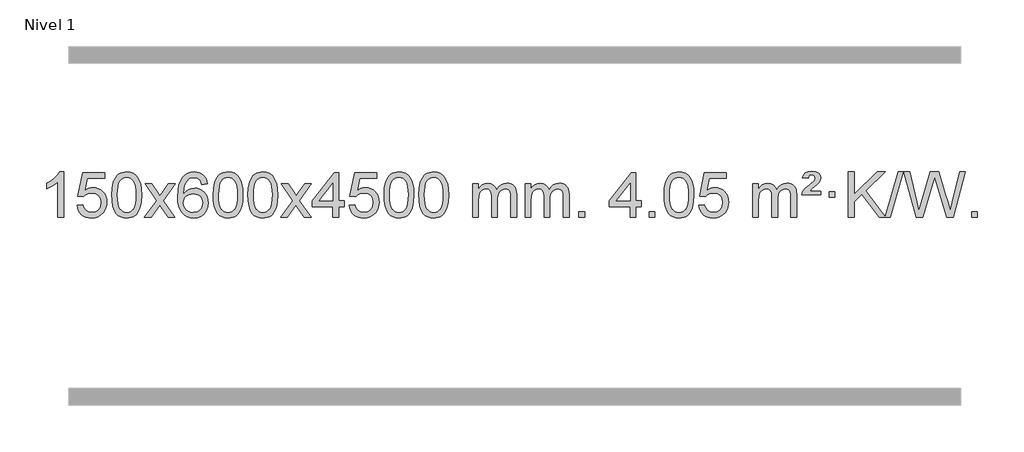
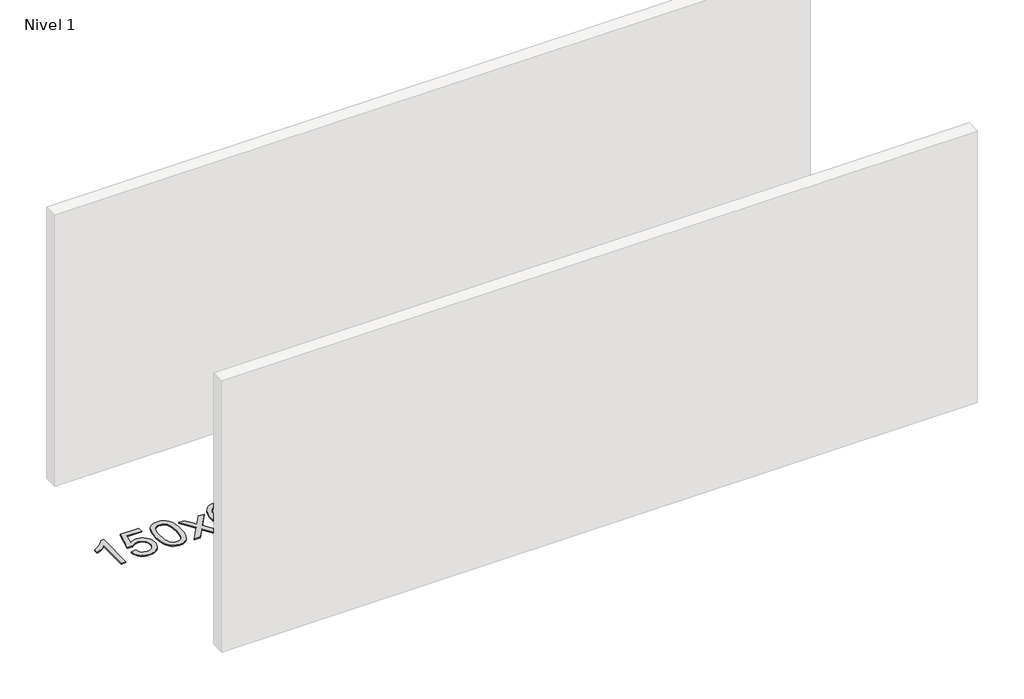
# One storey, part 9 of 25: 1 proxy.
"""IFC4 building model written with IfcOpenShell, lengths in millimetres."""

from ifc_helpers import new_model, si_unit, origin, origin_with_axes, place, context, project, spatial, polyline, outline, extrude, element, save

model = new_model("IFC4")

# Units and contexts
model_context = context("Model", 3, world=origin())
ifc_project = project(units=[si_unit("LENGTHUNIT", "METRE", prefix="MILLI")], contexts=[model_context])

# Site, building, storey
site = spatial("IfcSite", under=ifc_project)
building = spatial("IfcBuilding", under=site)
storey = spatial("IfcBuildingStorey", under=building, Name="Nivel 1", Elevation=0.0)

# Proxy
placement = place(None, origin())
element("IfcBuildingElementProxy", 1, Name="Texto de modelo 1", ObjectType="Texto de modelo 1", at=placement, inside=storey, context=model_context, shape_type="SweptSolid", body=[
    extrude(outline(polyline([(-275.4615788, -42845.579453), (-325.6897338, -42845.579453), (-325.6897338, -42532.4382987), (-346.6590076, -42549.3976587), (-373.2691385, -42566.3324932), (-426.146044, -42591.6918254), (-426.146044, -42544.2105225), (-386.6968314, -42522.7507395), (-352.520594, -42497.219729), (-325.5793692, -42470.0700378), (-307.8351943, -42443.7542124), (-275.4615788, -42443.7542124), (-275.4615788, -42845.579453)])), origin_with_axes(), (0.0, 0.0, 1.0), 10.0),
    extrude(outline(polyline([(-156.1697105, -42738.8446235), (-105.9415554, -42732.5661041), (-96.71998, -42762.7201649), (-80.6312741, -42784.3148381), (-57.749014, -42797.3010725), (-28.1467761, -42801.6298173), (-9.0169124, -42800.1245668), (7.8566085, -42795.6088153), (22.4737864, -42788.0825628), (34.8346214, -42777.5458094), (44.6632021, -42764.519721), (51.6836168, -42749.5254641), (57.2999486, -42713.6324441), (52.0392361, -42679.8363514), (45.4633454, -42665.9181493), (36.2570985, -42653.9865099), (24.3898385, -42644.4154467), (9.8309085, -42637.5789729), (-27.3619612, -42632.1097939), (-51.728012, -42634.2925604), (-71.4587497, -42640.8408599), (-87.2163618, -42650.8717757), (-99.663036, -42663.5023908), (-149.8911911, -42657.2238715), (-105.9415554, -42450.0327318), (88.6925455, -42450.0327318), (88.6925455, -42500.2608869), (-65.3273831, -42500.2608869), (-86.9097935, -42610.919791), (-69.1840127, -42598.2155994), (-51.0290362, -42589.1411769), (-32.4448641, -42583.6965234), (-13.4314963, -42581.8816388), (11.0326563, -42584.1318504), (33.5102463, -42590.882485), (54.0012734, -42602.1335427), (72.5057377, -42617.8850234), (87.8280228, -42637.1743027), (98.7725122, -42659.038756), (105.3392058, -42683.4783832), (107.5281037, -42710.4931844), (105.559935, -42736.5147042), (99.655429, -42760.7213394), (89.8145856, -42783.1130902), (76.0374049, -42803.6899565), (55.166233, -42824.7634634), (30.812445, -42839.8159684), (2.9760407, -42848.8474714), (-28.3429799, -42851.8579724), (-54.2633321, -42849.9235262), (-77.6759554, -42844.1201877), (-98.5808498, -42834.447957), (-116.9780152, -42820.9068338), (-132.2849719, -42804.1712688), (-143.91924, -42784.915712), (-151.8808195, -42763.1401636), (-156.1697105, -42738.8446235)])), origin_with_axes(), (0.0, 0.0, 1.0), 10.0),
    extrude(outline(polyline([(151.4777394, -42647.9041943), (155.1688221, -42583.5861588), (166.2420701, -42532.2911459), (184.5871189, -42493.2343407), (196.4451819, -42478.0009605), (210.0936039, -42465.6309284), (225.5783702, -42456.0598651), (242.9454661, -42449.2233914), (283.3266464, -42443.7542124), (314.277785, -42446.991574), (341.9915619, -42456.7036586), (365.1681276, -42472.5103217), (382.5076323, -42494.0314184), (395.6042314, -42521.0830078), (406.05208, -42553.4811488), (412.8946851, -42594.6226186), (415.1755535, -42647.9041943), (411.521259, -42711.8543477), (400.5583756, -42763.0267333), (382.3236913, -42802.1203266), (370.4932195, -42817.3996922), (356.8539945, -42829.8341036), (341.3508341, -42839.4695462), (323.928556, -42846.3520052), (283.3266464, -42851.8579724), (255.6619204, -42849.4667394), (231.1364541, -42842.2930405), (209.7502474, -42830.3368757), (191.5033004, -42813.5982449), (173.9921175, -42783.3399508), (161.4841296, -42745.6381776), (153.9793369, -42700.4929255), (151.4777394, -42647.9041943)]), holes=[polyline([(201.7058944, -42647.8060924), (203.1774224, -42691.4706195), (207.5920064, -42726.8148822), (214.9496463, -42753.8388804), (225.2503421, -42772.5426142), (237.709279, -42785.2682656), (251.5416421, -42794.3580165), (266.7474312, -42799.8118671), (283.3266464, -42801.6298173), (299.9058617, -42799.8057357), (315.1116508, -42794.3334911), (328.9440138, -42785.2130833), (341.4029507, -42772.4445124), (351.7036466, -42753.7101217), (359.0612865, -42726.6922549), (363.4758705, -42691.3909118), (364.9473984, -42647.8060924), (363.5249214, -42605.2973278), (359.2574902, -42570.5753989), (352.145105, -42543.6403055), (342.1877657, -42524.4920476), (329.9372952, -42511.1440625), (315.9455167, -42501.6097875), (300.21243, -42495.8892225), (282.7380352, -42493.9823675), (266.2446591, -42495.6623619), (251.2963874, -42500.7023452), (237.89322, -42509.1023175), (226.0351571, -42520.8622786), (215.3911047, -42541.708925), (207.7882101, -42569.8151094), (203.2264734, -42605.1808319), (201.7058944, -42647.8060924)])]), origin_with_axes(), (0.0, 0.0, 1.0), 10.0),
    extrude(outline(polyline([(440.2896311, -42845.579453), (547.6130718, -42697.1513307), (446.5681504, -42550.4890419), (506.8026958, -42550.4890419), (555.5593229, -42621.2204869), (578.4170575, -42654.4770192), (598.2336343, -42627.2047007), (653.7592901, -42550.4890419), (714.1900392, -42550.4890419), (608.0438209, -42697.2494325), (710.2659646, -42845.579453), (649.9333174, -42845.579453), (588.3253459, -42756.3067555), (577.1417333, -42739.923744), (500.7203801, -42845.579453), (440.2896311, -42845.579453)])), origin_with_axes(), (0.0, 0.0, 1.0), 10.0),
    extrude(outline(polyline([(999.0778563, -42550.4890419), (948.8497012, -42556.7675613), (940.7562973, -42531.874213), (929.8179393, -42514.8780648), (907.0337811, -42499.2062918), (879.4916824, -42493.9823675), (856.1434384, -42497.0235253), (834.1686206, -42506.1469988), (815.2962742, -42525.3627017), (799.8820186, -42551.8134171), (789.4709581, -42589.227016), (785.6081972, -42641.3313693), (805.7558678, -42617.8237098), (829.9011894, -42601.2567573), (856.6952614, -42591.434308), (884.7891831, -42588.1601582), (908.922242, -42590.398107), (931.1913654, -42597.1119534), (951.5965534, -42608.3016975), (970.137806, -42623.9673391), (985.5459302, -42643.1769106), (996.5517332, -42664.9984443), (1003.155215, -42689.4319401), (1005.3563756, -42716.4773982), (1001.2115718, -42752.4439945), (988.7771604, -42785.786366), (969.0832109, -42814.0642287), (943.159793, -42834.8372987), (912.184129, -42847.602804), (877.3334413, -42851.8579724), (847.3909126, -42849.0375437), (820.3485203, -42840.5762579), (796.2062643, -42826.4741147), (774.9641448, -42806.7311143), (757.6460999, -42780.5133908), (745.2760678, -42746.9870783), (737.8540485, -42706.1521768), (735.3800421, -42658.0086864), (738.1268943, -42604.0342663), (746.367451, -42557.9693092), (760.1017122, -42519.8138149), (779.3296778, -42489.5677835), (800.1701928, -42469.5243462), (824.3339085, -42455.2076052), (851.820825, -42446.6175606), (882.6309421, -42443.7542124), (905.7645882, -42445.5261773), (926.7032051, -42450.8420722), (945.4467927, -42459.7018969), (961.9953511, -42472.1056515), (975.9012906, -42487.6364031), (986.7170212, -42505.8772186), (994.4425431, -42526.8280983), (999.0778563, -42550.4890419)]), holes=[polyline([(785.6081972, -42715.6925832), (788.514465, -42737.9494439), (797.2332682, -42759.2007605), (810.7713257, -42777.472233), (828.1353558, -42790.7895612), (849.0923668, -42798.9197533), (873.4093667, -42801.6298173), (906.5555345, -42796.0134855), (920.4706709, -42788.9930708), (932.6138425, -42779.1644901), (942.4638829, -42766.9262824), (949.499626, -42752.6769865), (955.1282206, -42718.1451299), (949.5732024, -42684.9989621), (942.6294298, -42671.3781312), (932.9081481, -42659.725469), (920.7281883, -42650.3904634), (906.4083817, -42643.7226022), (871.3492275, -42638.3883133), (838.2521107, -42643.7226022), (810.5751219, -42659.725469), (799.6520924, -42671.2248471), (791.8499284, -42684.3858254), (787.16863, -42699.2084042), (785.6081972, -42715.6925832)])]), origin_with_axes(), (0.0, 0.0, 1.0), 10.0),
    extrude(outline(polyline([(1049.3060113, -42647.9041943), (1052.997094, -42583.5861588), (1064.0703421, -42532.2911459), (1082.4153909, -42493.2343407), (1094.2734539, -42478.0009605), (1107.9218759, -42465.6309284), (1123.4066422, -42456.0598651), (1140.7737381, -42449.2233914), (1181.1549184, -42443.7542124), (1212.1060569, -42446.991574), (1239.8198339, -42456.7036586), (1262.9963996, -42472.5103217), (1280.3359043, -42494.0314184), (1293.4325033, -42521.0830078), (1303.880352, -42553.4811488), (1310.7229571, -42594.6226186), (1313.0038255, -42647.9041943), (1309.349531, -42711.8543477), (1298.3866475, -42763.0267333), (1280.1519633, -42802.1203266), (1268.3214915, -42817.3996922), (1254.6822665, -42829.8341036), (1239.1791061, -42839.4695462), (1221.7568279, -42846.3520052), (1181.1549184, -42851.8579724), (1153.4901924, -42849.4667394), (1128.964726, -42842.2930405), (1107.5785194, -42830.3368757), (1089.3315724, -42813.5982449), (1071.8203894, -42783.3399508), (1059.3124016, -42745.6381776), (1051.8076089, -42700.4929255), (1049.3060113, -42647.9041943)]), holes=[polyline([(1099.5341664, -42647.8060924), (1101.0056944, -42691.4706195), (1105.4202783, -42726.8148822), (1112.7779182, -42753.8388804), (1123.0786141, -42772.5426142), (1135.537551, -42785.2682656), (1149.369914, -42794.3580165), (1164.5757032, -42799.8118671), (1181.1549184, -42801.6298173), (1197.7341337, -42799.8057357), (1212.9399228, -42794.3334911), (1226.7722858, -42785.2130833), (1239.2312227, -42772.4445124), (1249.5319186, -42753.7101217), (1256.8895585, -42726.6922549), (1261.3041424, -42691.3909118), (1262.7756704, -42647.8060924), (1261.3531934, -42605.2973278), (1257.0857622, -42570.5753989), (1249.973377, -42543.6403055), (1240.0160376, -42524.4920476), (1227.7655672, -42511.1440625), (1213.7737886, -42501.6097875), (1198.040702, -42495.8892225), (1180.5663072, -42493.9823675), (1164.0729311, -42495.6623619), (1149.1246594, -42500.7023452), (1135.721492, -42509.1023175), (1123.863429, -42520.8622786), (1113.2193766, -42541.708925), (1105.6164821, -42569.8151094), (1101.0547453, -42605.1808319), (1099.5341664, -42647.8060924)])]), origin_with_axes(), (0.0, 0.0, 1.0), 10.0),
    extrude(outline(polyline([(1356.9534612, -42647.9041943), (1360.6445439, -42583.5861588), (1371.7177919, -42532.2911459), (1390.0628407, -42493.2343407), (1401.9209037, -42478.0009605), (1415.5693257, -42465.6309284), (1431.054092, -42456.0598651), (1448.4211879, -42449.2233914), (1488.8023682, -42443.7542124), (1519.7535068, -42446.991574), (1547.4672837, -42456.7036586), (1570.6438494, -42472.5103217), (1587.9833541, -42494.0314184), (1601.0799532, -42521.0830078), (1611.5278018, -42553.4811488), (1618.3704069, -42594.6226186), (1620.6512753, -42647.9041943), (1616.9969808, -42711.8543477), (1606.0340974, -42763.0267333), (1587.7994131, -42802.1203266), (1575.9689413, -42817.3996922), (1562.3297163, -42829.8341036), (1546.8265559, -42839.4695462), (1529.4042778, -42846.3520052), (1488.8023682, -42851.8579724), (1461.1376422, -42849.4667394), (1436.6121759, -42842.2930405), (1415.2259692, -42830.3368757), (1396.9790222, -42813.5982449), (1379.4678393, -42783.3399508), (1366.9598514, -42745.6381776), (1359.4550587, -42700.4929255), (1356.9534612, -42647.9041943)]), holes=[polyline([(1407.1816162, -42647.8060924), (1408.6531442, -42691.4706195), (1413.0677282, -42726.8148822), (1420.4253681, -42753.8388804), (1430.7260639, -42772.5426142), (1443.1850008, -42785.2682656), (1457.0173639, -42794.3580165), (1472.223153, -42799.8118671), (1488.8023682, -42801.6298173), (1505.3815835, -42799.8057357), (1520.5873726, -42794.3334911), (1534.4197356, -42785.2130833), (1546.8786725, -42772.4445124), (1557.1793684, -42753.7101217), (1564.5370083, -42726.6922549), (1568.9515923, -42691.3909118), (1570.4231202, -42647.8060924), (1569.0006432, -42605.2973278), (1564.733212, -42570.5753989), (1557.6208268, -42543.6403055), (1547.6634875, -42524.4920476), (1535.413017, -42511.1440625), (1521.4212385, -42501.6097875), (1505.6881518, -42495.8892225), (1488.213757, -42493.9823675), (1471.7203809, -42495.6623619), (1456.7721092, -42500.7023452), (1443.3689418, -42509.1023175), (1431.5108789, -42520.8622786), (1420.8668265, -42541.708925), (1413.2639319, -42569.8151094), (1408.7021952, -42605.1808319), (1407.1816162, -42647.8060924)])]), origin_with_axes(), (0.0, 0.0, 1.0), 10.0),
    extrude(outline(polyline([(1645.7653528, -42845.579453), (1753.0887936, -42697.1513307), (1652.0438722, -42550.4890419), (1712.2784176, -42550.4890419), (1761.0350447, -42621.2204869), (1783.8927793, -42654.4770192), (1803.7093561, -42627.2047007), (1859.2350119, -42550.4890419), (1919.665761, -42550.4890419), (1813.5195426, -42697.2494325), (1915.7416864, -42845.579453), (1855.4090392, -42845.579453), (1793.8010677, -42756.3067555), (1782.6174551, -42739.923744), (1706.1961019, -42845.579453), (1645.7653528, -42845.579453)])), origin_with_axes(), (0.0, 0.0, 1.0), 10.0),
    extrude(outline(polyline([(2110.3757873, -42845.579453), (2110.3757873, -42751.4016622), (1928.2987251, -42751.4016622), (1928.2987251, -42701.1735072), (2122.9328261, -42450.0327318), (2160.6039424, -42450.0327318), (2160.6039424, -42701.1735072), (2210.8320974, -42701.1735072), (2210.8320974, -42751.4016622), (2160.6039424, -42751.4016622), (2160.6039424, -42845.579453), (2110.3757873, -42845.579453)]), holes=[polyline([(2110.3757873, -42701.1735072), (2110.3757873, -42545.9763561), (1990.1029003, -42701.1735072), (2110.3757873, -42701.1735072)])]), origin_with_axes(), (0.0, 0.0, 1.0), 10.0),
    extrude(outline(polyline([(2254.7817331, -42738.8446235), (2305.0098882, -42732.5661041), (2314.2314635, -42762.7201649), (2330.3201695, -42784.3148381), (2353.2024296, -42797.3010725), (2382.8046674, -42801.6298173), (2401.9345312, -42800.1245668), (2418.808052, -42795.6088153), (2433.42523, -42788.0825628), (2445.786065, -42777.5458094), (2455.6146457, -42764.519721), (2462.6350604, -42749.5254641), (2468.2513922, -42713.6324441), (2462.9906797, -42679.8363514), (2456.414789, -42665.9181493), (2447.2085421, -42653.9865099), (2435.341282, -42644.4154467), (2420.7823521, -42637.5789729), (2383.5894824, -42632.1097939), (2359.2234316, -42634.2925604), (2339.4926939, -42640.8408599), (2323.7350818, -42650.8717757), (2311.2884076, -42663.5023908), (2261.0602525, -42657.2238715), (2305.0098882, -42450.0327318), (2499.6439891, -42450.0327318), (2499.6439891, -42500.2608869), (2345.6240605, -42500.2608869), (2324.0416501, -42610.919791), (2341.7674309, -42598.2155994), (2359.9224073, -42589.1411769), (2378.5065795, -42583.6965234), (2397.5199473, -42581.8816388), (2421.9840999, -42584.1318504), (2444.4616898, -42590.882485), (2464.952717, -42602.1335427), (2483.4571813, -42617.8850234), (2498.7794664, -42637.1743027), (2509.7239558, -42659.038756), (2516.2906494, -42683.4783832), (2518.4795473, -42710.4931844), (2516.5113786, -42736.5147042), (2510.6068726, -42760.7213394), (2500.7660292, -42783.1130902), (2486.9888485, -42803.6899565), (2466.1176766, -42824.7634634), (2441.7638885, -42839.8159684), (2413.9274842, -42848.8474714), (2382.6084637, -42851.8579724), (2356.6881115, -42849.9235262), (2333.2754882, -42844.1201877), (2312.3705938, -42834.447957), (2293.9734283, -42820.9068338), (2278.6664717, -42804.1712688), (2267.0322036, -42784.915712), (2259.0706241, -42763.1401636), (2254.7817331, -42738.8446235)])), origin_with_axes(), (0.0, 0.0, 1.0), 10.0),
    extrude(outline(polyline([(2562.429183, -42647.9041943), (2566.1202656, -42583.5861588), (2577.1935137, -42532.2911459), (2595.5385625, -42493.2343407), (2607.3966255, -42478.0009605), (2621.0450475, -42465.6309284), (2636.5298138, -42456.0598651), (2653.8969097, -42449.2233914), (2694.27809, -42443.7542124), (2725.2292286, -42446.991574), (2752.9430055, -42456.7036586), (2776.1195712, -42472.5103217), (2793.4590759, -42494.0314184), (2806.555675, -42521.0830078), (2817.0035236, -42553.4811488), (2823.8461287, -42594.6226186), (2826.1269971, -42647.9041943), (2822.4727026, -42711.8543477), (2811.5098192, -42763.0267333), (2793.2751349, -42802.1203266), (2781.4446631, -42817.3996922), (2767.8054381, -42829.8341036), (2752.3022777, -42839.4695462), (2734.8799996, -42846.3520052), (2694.27809, -42851.8579724), (2666.613364, -42849.4667394), (2642.0878976, -42842.2930405), (2620.701691, -42830.3368757), (2602.454744, -42813.5982449), (2584.9435611, -42783.3399508), (2572.4355732, -42745.6381776), (2564.9307805, -42700.4929255), (2562.429183, -42647.9041943)]), holes=[polyline([(2612.657338, -42647.8060924), (2614.128866, -42691.4706195), (2618.54345, -42726.8148822), (2625.9010899, -42753.8388804), (2636.2017857, -42772.5426142), (2648.6607226, -42785.2682656), (2662.4930856, -42794.3580165), (2677.6988748, -42799.8118671), (2694.27809, -42801.6298173), (2710.8573053, -42799.8057357), (2726.0630944, -42794.3334911), (2739.8954574, -42785.2130833), (2752.3543943, -42772.4445124), (2762.6550902, -42753.7101217), (2770.0127301, -42726.6922549), (2774.427314, -42691.3909118), (2775.898842, -42647.8060924), (2774.476365, -42605.2973278), (2770.2089338, -42570.5753989), (2763.0965486, -42543.6403055), (2753.1392093, -42524.4920476), (2740.8887388, -42511.1440625), (2726.8969603, -42501.6097875), (2711.1638736, -42495.8892225), (2693.6894788, -42493.9823675), (2677.1961027, -42495.6623619), (2662.247831, -42500.7023452), (2648.8446636, -42509.1023175), (2636.9866007, -42520.8622786), (2626.3425483, -42541.708925), (2618.7396537, -42569.8151094), (2614.1779169, -42605.1808319), (2612.657338, -42647.8060924)])]), origin_with_axes(), (0.0, 0.0, 1.0), 10.0),
    extrude(outline(polyline([(2870.0766328, -42647.9041943), (2873.7677155, -42583.5861588), (2884.8409635, -42532.2911459), (2903.1860124, -42493.2343407), (2915.0440753, -42478.0009605), (2928.6924974, -42465.6309284), (2944.1772637, -42456.0598651), (2961.5443595, -42449.2233914), (3001.9255399, -42443.7542124), (3032.8766784, -42446.991574), (3060.5904554, -42456.7036586), (3083.7670211, -42472.5103217), (3101.1065258, -42494.0314184), (3114.2031248, -42521.0830078), (3124.6509735, -42553.4811488), (3131.4935786, -42594.6226186), (3133.7744469, -42647.9041943), (3130.1201525, -42711.8543477), (3119.157269, -42763.0267333), (3100.9225848, -42802.1203266), (3089.0921129, -42817.3996922), (3075.452888, -42829.8341036), (3059.9497276, -42839.4695462), (3042.5274494, -42846.3520052), (3001.9255399, -42851.8579724), (2974.2608138, -42849.4667394), (2949.7353475, -42842.2930405), (2928.3491408, -42830.3368757), (2910.1021939, -42813.5982449), (2892.5910109, -42783.3399508), (2880.0830231, -42745.6381776), (2872.5782304, -42700.4929255), (2870.0766328, -42647.9041943)]), holes=[polyline([(2920.3047879, -42647.8060924), (2921.7763158, -42691.4706195), (2926.1908998, -42726.8148822), (2933.5485397, -42753.8388804), (2943.8492356, -42772.5426142), (2956.3081725, -42785.2682656), (2970.1405355, -42794.3580165), (2985.3463246, -42799.8118671), (3001.9255399, -42801.6298173), (3018.5047551, -42799.8057357), (3033.7105442, -42794.3334911), (3047.5429073, -42785.2130833), (3060.0018442, -42772.4445124), (3070.30254, -42753.7101217), (3077.6601799, -42726.6922549), (3082.0747639, -42691.3909118), (3083.5462919, -42647.8060924), (3082.1238148, -42605.2973278), (3077.8563837, -42570.5753989), (3070.7439984, -42543.6403055), (3060.7866591, -42524.4920476), (3048.5361887, -42511.1440625), (3034.5444101, -42501.6097875), (3018.8113234, -42495.8892225), (3001.3369287, -42493.9823675), (2984.8435526, -42495.6623619), (2969.8952808, -42500.7023452), (2956.4921135, -42509.1023175), (2944.6340505, -42520.8622786), (2933.9899981, -42541.708925), (2926.3871035, -42569.8151094), (2921.8253668, -42605.1808319), (2920.3047879, -42647.8060924)])]), origin_with_axes(), (0.0, 0.0, 1.0), 10.0),
    extrude(outline(polyline([(3347.244106, -42845.579453), (3347.244106, -42550.4890419), (3397.4722611, -42550.4890419), (3397.4722611, -42599.0494653), (3412.5799483, -42576.7435537), (3432.0041177, -42559.2691589), (3455.0825815, -42547.9751816), (3481.1531522, -42544.2105225), (3509.0876584, -42548.048758), (3531.4794092, -42559.5634645), (3548.2057772, -42577.9943524), (3559.1441352, -42602.5811324), (3577.4523959, -42577.0439906), (3598.3358304, -42558.803175), (3621.794439, -42547.8586857), (3647.8282215, -42544.2105225), (3667.9360383, -42545.7280358), (3685.585177, -42550.2805755), (3700.7756377, -42557.8681416), (3713.5074204, -42568.4907342), (3723.5720587, -42582.2709806), (3730.761086, -42599.3315082), (3735.0745024, -42619.6723168), (3736.5123078, -42643.2934066), (3736.5123078, -42845.579453), (3686.2841528, -42845.579453), (3686.2841528, -42664.875817), (3685.1191931, -42639.8230531), (3681.6243142, -42622.9372695), (3675.0760146, -42611.3735121), (3664.7507933, -42602.2868268), (3651.4702533, -42596.4007149), (3636.0559977, -42594.4386776), (3608.8449928, -42599.4663982), (3586.6617085, -42614.54956), (3578.0563355, -42626.1194488), (3571.9096405, -42640.7182326), (3566.9922845, -42679.0024856), (3566.9922845, -42845.579453), (3516.7641294, -42845.579453), (3516.7641294, -42659.2840106), (3513.8578616, -42630.8835206), (3505.1390583, -42610.6254854), (3489.7983791, -42598.4853796), (3467.0264836, -42594.4386776), (3447.6758907, -42597.1364789), (3429.8458767, -42605.2298828), (3415.1305968, -42618.5226856), (3405.1242066, -42636.8186835), (3399.3852475, -42662.2025411), (3397.4722611, -42696.7589232), (3397.4722611, -42845.579453), (3347.244106, -42845.579453)])), origin_with_axes(), (0.0, 0.0, 1.0), 10.0),
    extrude(outline(polyline([(3811.8545404, -42845.579453), (3811.8545404, -42550.4890419), (3862.0826955, -42550.4890419), (3862.0826955, -42599.0494653), (3877.1903828, -42576.7435537), (3896.6145521, -42559.2691589), (3919.693016, -42547.9751816), (3945.7635867, -42544.2105225), (3973.6980929, -42548.048758), (3996.0898436, -42559.5634645), (4012.8162117, -42577.9943524), (4023.7545697, -42602.5811324), (4042.0628303, -42577.0439906), (4062.9462649, -42558.803175), (4086.4048734, -42547.8586857), (4112.438656, -42544.2105225), (4132.5464727, -42545.7280358), (4150.1956114, -42550.2805755), (4165.3860721, -42557.8681416), (4178.1178548, -42568.4907342), (4188.1824931, -42582.2709806), (4195.3715204, -42599.3315082), (4199.6849368, -42619.6723168), (4201.1227423, -42643.2934066), (4201.1227423, -42845.579453), (4150.8945872, -42845.579453), (4150.8945872, -42664.875817), (4149.7296276, -42639.8230531), (4146.2347486, -42622.9372695), (4139.6864491, -42611.3735121), (4129.3612278, -42602.2868268), (4116.0806877, -42596.4007149), (4100.6664321, -42594.4386776), (4073.4554272, -42599.4663982), (4051.2721429, -42614.54956), (4042.6667699, -42626.1194488), (4036.5200749, -42640.7182326), (4031.6027189, -42679.0024856), (4031.6027189, -42845.579453), (3981.3745638, -42845.579453), (3981.3745638, -42659.2840106), (3978.4682961, -42630.8835206), (3969.7494928, -42610.6254854), (3954.4088136, -42598.4853796), (3931.6369181, -42594.4386776), (3912.2863251, -42597.1364789), (3894.4563111, -42605.2298828), (3879.7410313, -42618.5226856), (3869.734641, -42636.8186835), (3863.9956819, -42662.2025411), (3862.0826955, -42696.7589232), (3862.0826955, -42845.579453), (3811.8545404, -42845.579453)])), origin_with_axes(), (0.0, 0.0, 1.0), 10.0),
    extrude(outline(polyline([(4289.0220137, -42845.579453), (4289.0220137, -42795.3512979), (4339.2501687, -42795.3512979), (4339.2501687, -42845.579453), (4289.0220137, -42845.579453)])), origin_with_axes(), (0.0, 0.0, 1.0), 10.0),
    extrude(outline(polyline([(4741.0754093, -42845.579453), (4741.0754093, -42751.4016622), (4558.9983472, -42751.4016622), (4558.9983472, -42701.1735072), (4753.6324481, -42450.0327318), (4791.3035644, -42450.0327318), (4791.3035644, -42701.1735072), (4841.5317195, -42701.1735072), (4841.5317195, -42751.4016622), (4791.3035644, -42751.4016622), (4791.3035644, -42845.579453), (4741.0754093, -42845.579453)]), holes=[polyline([(4741.0754093, -42701.1735072), (4741.0754093, -42545.9763561), (4620.8025224, -42701.1735072), (4741.0754093, -42701.1735072)])]), origin_with_axes(), (0.0, 0.0, 1.0), 10.0),
    extrude(outline(polyline([(4910.5954327, -42845.579453), (4910.5954327, -42795.3512979), (4960.8235878, -42795.3512979), (4960.8235878, -42845.579453), (4910.5954327, -42845.579453)])), origin_with_axes(), (0.0, 0.0, 1.0), 10.0),
    extrude(outline(polyline([(5042.4443398, -42647.9041943), (5046.1354225, -42583.5861588), (5057.2086705, -42532.2911459), (5075.5537193, -42493.2343407), (5087.4117823, -42478.0009605), (5101.0602043, -42465.6309284), (5116.5449707, -42456.0598651), (5133.9120665, -42449.2233914), (5174.2932469, -42443.7542124), (5205.2443854, -42446.991574), (5232.9581623, -42456.7036586), (5256.134728, -42472.5103217), (5273.4742328, -42494.0314184), (5286.5708318, -42521.0830078), (5297.0186804, -42553.4811488), (5303.8612856, -42594.6226186), (5306.1421539, -42647.9041943), (5302.4878594, -42711.8543477), (5291.524976, -42763.0267333), (5273.2902918, -42802.1203266), (5261.4598199, -42817.3996922), (5247.820595, -42829.8341036), (5232.3174345, -42839.4695462), (5214.8951564, -42846.3520052), (5174.2932469, -42851.8579724), (5146.6285208, -42849.4667394), (5122.1030545, -42842.2930405), (5100.7168478, -42830.3368757), (5082.4699009, -42813.5982449), (5064.9587179, -42783.3399508), (5052.45073, -42745.6381776), (5044.9459373, -42700.4929255), (5042.4443398, -42647.9041943)]), holes=[polyline([(5092.6724949, -42647.8060924), (5094.1440228, -42691.4706195), (5098.5586068, -42726.8148822), (5105.9162467, -42753.8388804), (5116.2169425, -42772.5426142), (5128.6758794, -42785.2682656), (5142.5082425, -42794.3580165), (5157.7140316, -42799.8118671), (5174.2932469, -42801.6298173), (5190.8724621, -42799.8057357), (5206.0782512, -42794.3334911), (5219.9106143, -42785.2130833), (5232.3695512, -42772.4445124), (5242.670247, -42753.7101217), (5250.0278869, -42726.6922549), (5254.4424709, -42691.3909118), (5255.9139988, -42647.8060924), (5254.4915218, -42605.2973278), (5250.2240907, -42570.5753989), (5243.1117054, -42543.6403055), (5233.1543661, -42524.4920476), (5220.9038956, -42511.1440625), (5206.9121171, -42501.6097875), (5191.1790304, -42495.8892225), (5173.7046357, -42493.9823675), (5157.2112595, -42495.6623619), (5142.2629878, -42500.7023452), (5128.8598204, -42509.1023175), (5117.0017575, -42520.8622786), (5106.3577051, -42541.708925), (5098.7548105, -42569.8151094), (5094.1930738, -42605.1808319), (5092.6724949, -42647.8060924)])]), origin_with_axes(), (0.0, 0.0, 1.0), 10.0),
    extrude(outline(polyline([(5350.0917896, -42738.8446235), (5400.3199447, -42732.5661041), (5409.54152, -42762.7201649), (5425.630226, -42784.3148381), (5448.5124861, -42797.3010725), (5478.1147239, -42801.6298173), (5497.2445877, -42800.1245668), (5514.1181085, -42795.6088153), (5528.7352865, -42788.0825628), (5541.0961215, -42777.5458094), (5550.9247021, -42764.519721), (5557.9451169, -42749.5254641), (5563.5614487, -42713.6324441), (5558.3007361, -42679.8363514), (5551.7248455, -42665.9181493), (5542.5185986, -42653.9865099), (5530.6513385, -42644.4154467), (5516.0924086, -42637.5789729), (5478.8995389, -42632.1097939), (5454.533488, -42634.2925604), (5434.8027504, -42640.8408599), (5419.0451382, -42650.8717757), (5406.5984641, -42663.5023908), (5356.370309, -42657.2238715), (5400.3199447, -42450.0327318), (5594.9540456, -42450.0327318), (5594.9540456, -42500.2608869), (5440.934117, -42500.2608869), (5419.3517066, -42610.919791), (5437.0774874, -42598.2155994), (5455.2324638, -42589.1411769), (5473.816636, -42583.6965234), (5492.8300037, -42581.8816388), (5517.2941564, -42584.1318504), (5539.7717463, -42590.882485), (5560.2627735, -42602.1335427), (5578.7672378, -42617.8850234), (5594.0895229, -42637.1743027), (5605.0340123, -42659.038756), (5611.6007059, -42683.4783832), (5613.7896038, -42710.4931844), (5611.8214351, -42736.5147042), (5605.9169291, -42760.7213394), (5596.0760857, -42783.1130902), (5582.298905, -42803.6899565), (5561.4277331, -42824.7634634), (5537.073945, -42839.8159684), (5509.2375407, -42848.8474714), (5477.9185202, -42851.8579724), (5451.998168, -42849.9235262), (5428.5855447, -42844.1201877), (5407.6806503, -42834.447957), (5389.2834848, -42820.9068338), (5373.9765281, -42804.1712688), (5362.3422601, -42784.915712), (5354.3806805, -42763.1401636), (5350.0917896, -42738.8446235)])), origin_with_axes(), (0.0, 0.0, 1.0), 10.0),
    extrude(outline(polyline([(5827.2592628, -42845.579453), (5827.2592628, -42550.4890419), (5877.4874179, -42550.4890419), (5877.4874179, -42599.0494653), (5892.5951052, -42576.7435537), (5912.0192745, -42559.2691589), (5935.0977383, -42547.9751816), (5961.1683091, -42544.2105225), (5989.1028152, -42548.048758), (6011.494566, -42559.5634645), (6028.2209341, -42577.9943524), (6039.159292, -42602.5811324), (6057.4675527, -42577.0439906), (6078.3509873, -42558.803175), (6101.8095958, -42547.8586857), (6127.8433783, -42544.2105225), (6147.9511951, -42545.7280358), (6165.6003338, -42550.2805755), (6180.7907945, -42557.8681416), (6193.5225772, -42568.4907342), (6203.5872155, -42582.2709806), (6210.7762428, -42599.3315082), (6215.0896592, -42619.6723168), (6216.5274647, -42643.2934066), (6216.5274647, -42845.579453), (6166.2993096, -42845.579453), (6166.2993096, -42664.875817), (6165.1343499, -42639.8230531), (6161.639471, -42622.9372695), (6155.0911715, -42611.3735121), (6144.7659501, -42602.2868268), (6131.4854101, -42596.4007149), (6116.0711545, -42594.4386776), (6088.8601496, -42599.4663982), (6066.6768653, -42614.54956), (6058.0714923, -42626.1194488), (6051.9247973, -42640.7182326), (6047.0074413, -42679.0024856), (6047.0074413, -42845.579453), (5996.7792862, -42845.579453), (5996.7792862, -42659.2840106), (5993.8730184, -42630.8835206), (5985.1542152, -42610.6254854), (5969.813536, -42598.4853796), (5947.0416405, -42594.4386776), (5927.6910475, -42597.1364789), (5909.8610335, -42605.2298828), (5895.1457537, -42618.5226856), (5885.1393634, -42636.8186835), (5879.4004043, -42662.2025411), (5877.4874179, -42696.7589232), (5877.4874179, -42845.579453), (5827.2592628, -42845.579453)])), origin_with_axes(), (0.0, 0.0, 1.0), 10.0),
    extrude(outline(polyline([(6260.4771003, -42644.6668327), (6264.3030731, -42628.8479069), (6272.6417317, -42612.9799302), (6294.1505656, -42587.8413272), (6326.1072483, -42560.1030247), (6370.2530877, -42522.726214), (6377.3899984, -42511.1992448), (6379.7689686, -42499.3779701), (6377.8805077, -42487.2869152), (6372.215125, -42477.5012541), (6362.8463969, -42471.026531), (6349.8478997, -42468.8682899), (6337.4134883, -42470.4869707), (6328.5597949, -42475.343013), (6322.1341227, -42484.8098431), (6316.9837748, -42500.2608869), (6266.7556197, -42493.9823675), (6277.5958759, -42468.7701881), (6294.224142, -42451.2099542), (6317.9893189, -42440.9092583), (6350.2403072, -42437.475693), (6386.0229626, -42441.6082341), (6410.7691581, -42454.0058573), (6425.1901323, -42472.3386434), (6429.9971237, -42494.2766731), (6425.9013708, -42517.1834586), (6413.6141122, -42538.8149199), (6393.0862969, -42558.6314968), (6356.6169284, -42586.6886303), (6331.0123416, -42613.2742358), (6429.9971237, -42613.2742358), (6429.9971237, -42644.6668327), (6260.4771003, -42644.6668327)])), origin_with_axes(), (0.0, 0.0, 1.0), 10.0),
    extrude(outline(polyline([(6505.3393563, -42669.7809102), (6505.3393563, -42619.5527552), (6555.5675114, -42619.5527552), (6555.5675114, -42669.7809102), (6505.3393563, -42669.7809102)])), origin_with_axes(), (0.0, 0.0, 1.0), 10.0),
    extrude(outline(polyline([(6946.2091394, -42845.579453), (6792.67972, -42642.9009991), (6725.0875348, -42707.4520265), (6725.0875348, -42845.579453), (6674.8593797, -42845.579453), (6674.8593797, -42443.7542124), (6725.0875348, -42443.7542124), (6725.0875348, -42640.4484525), (6931.1014521, -42443.7542124), (7001.3423877, -42443.7542124), (6828.2906972, -42608.9577537), (7003.0417306, -42839.5373449), (7114.3557366, -42443.7542124), (7159.8750022, -42443.7542124), (7046.7635514, -42845.579453), (7007.6209071, -42845.579453), (7001.3423877, -42845.579453), (6946.2091394, -42845.579453)])), origin_with_axes(), (0.0, 0.0, 1.0), 10.0),
    extrude(outline(polyline([(7274.1636753, -42845.579453), (7164.5838917, -42443.7542124), (7216.3816766, -42443.7542124), (7279.9516854, -42707.844434), (7299.5720585, -42789.3670841), (7320.5658576, -42717.2622131), (7400.2245723, -42443.7542124), (7474.8800919, -42443.7542124), (7532.7601925, -42642.0180823), (7557.5554389, -42715.5944814), (7575.8269114, -42789.3670841), (7594.8586732, -42710.1988788), (7658.9191913, -42443.7542124), (7710.8150781, -42443.7542124), (7601.3333964, -42845.579453), (7547.5735741, -42845.579453), (7451.1394405, -42535.5775584), (7437.6994849, -42492.3146358), (7422.5917976, -42544.4067263), (7334.7906281, -42845.579453), (7274.1636753, -42845.579453)])), origin_with_axes(), (0.0, 0.0, 1.0), 10.0),
    extrude(outline(polyline([(7767.3217526, -42845.579453), (7767.3217526, -42795.3512979), (7817.5499077, -42795.3512979), (7817.5499077, -42845.579453), (7767.3217526, -42845.579453)])), origin_with_axes(), (0.0, 0.0, 1.0), 10.0),
])

save(model, "model.ifc")
